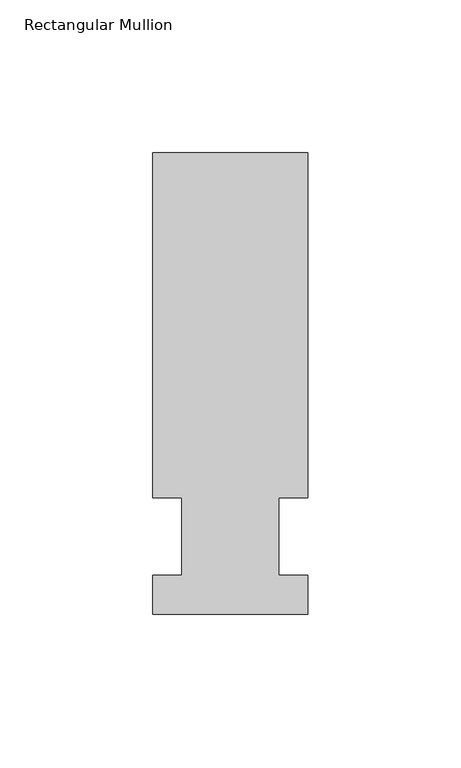
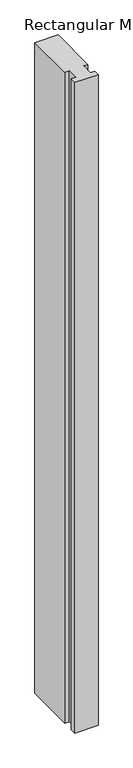
"""IFC4 building model written with IfcOpenShell, lengths in millimetres: member geometry, Rectangular Mullion."""

from ifc_helpers import new_model, si_unit, frame, origin, place, context, project, spatial, polyline, outline, extrude, source, transform, mapped, element, save


def rectangular_mullion_3dbda4b2(model_context):
    return source(origin(), model_context, "Body", "SweptSolid", [
        extrude(outline(polyline([(-25.4, -25.5984375), (-25.4, -12.7), (-15.875, -12.7), (-15.875, 12.7), (-25.4, 12.7), (-25.4, 125.6109375), (25.4, 125.6109375), (25.4, 12.7), (15.875, 12.7), (15.875, -12.7), (25.4, -12.7), (25.4, -25.5984375), (-25.4, -25.5984375)])), frame((0.0, 0.0, -1504.95), z_axis=(0.0, 0.0, 1.0), x_axis=(1.0, 0.0, 0.0)), (0.0, 0.0, 1.0), 1504.95),
    ])


if __name__ == "__main__":
    model = new_model("IFC4")
    model_context = context("Model", 3, world=origin())
    ifc_project = project(units=[si_unit("LENGTHUNIT", "METRE", prefix="MILLI")], contexts=[model_context])
    site = spatial("IfcSite", under=ifc_project)
    building = spatial("IfcBuilding", under=site)
    placement = place(None, origin())
    rectangular_mullion_shape = rectangular_mullion_3dbda4b2(model_context)
    element("IfcMember", 1, ObjectType="Rectangular Mullion", at=placement, inside=building, context=model_context, shape_type="MappedRepresentation", body=[
        mapped(rectangular_mullion_shape, transform((0.0, 0.0, 0.0), x_axis=(1.0, 0.0, 0.0), y_axis=(0.0, 1.0, 0.0), z_axis=(0.0, 0.0, 1.0))),
    ])
    save(model, "model.ifc")
